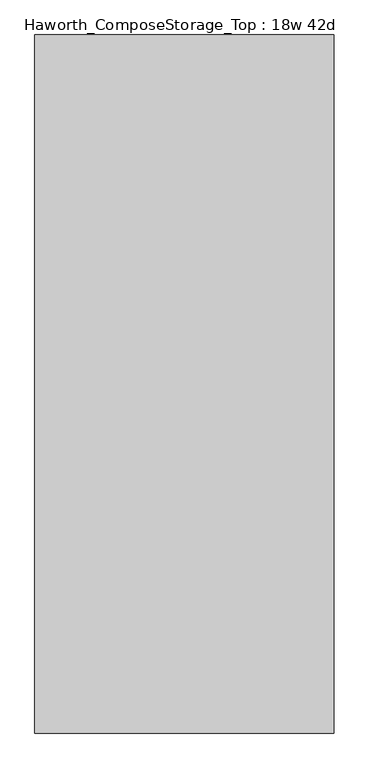
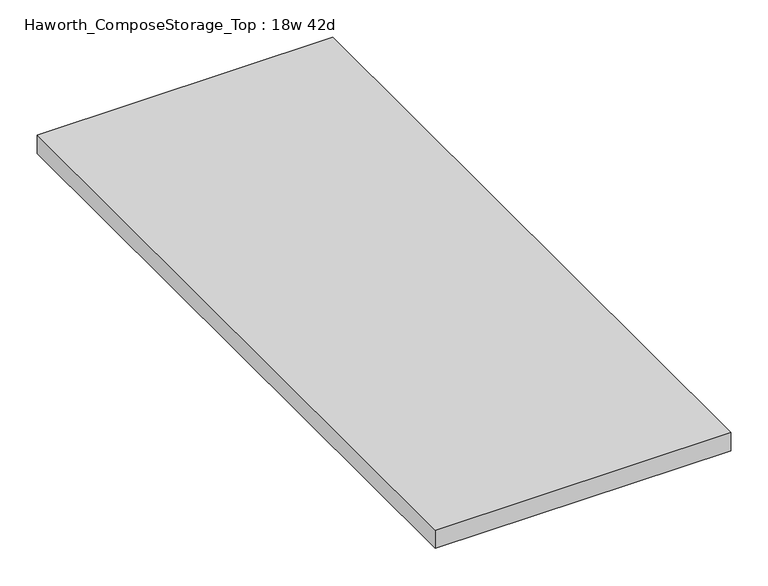
"""IFC4 building model written with IfcOpenShell, lengths in millimetres: furniture geometry, Haworth_ComposeStorage_Top : 18w 42d."""

from ifc_helpers import new_model, si_unit, frame, origin, place, context, project, spatial, polyline, outline, extrude, source, transform, mapped, element, save


def haworth_composestorage_top_18w_42d_7f535163(model_context):
    return source(origin(), model_context, "Body", "SweptSolid", [
        extrude(outline(polyline([(228.6, 533.4), (228.6, -533.4), (-228.6, -533.4), (-228.6, 533.4), (228.6, 533.4)])), frame((0.0, 0.0, 706.4375), z_axis=(0.0, 0.0, 1.0), x_axis=(1.0, 0.0, 0.0)), (0.0, 0.0, 1.0), 30.1625),
    ])


if __name__ == "__main__":
    model = new_model("IFC4")
    model_context = context("Model", 3, world=origin())
    ifc_project = project(units=[si_unit("LENGTHUNIT", "METRE", prefix="MILLI")], contexts=[model_context])
    site = spatial("IfcSite", under=ifc_project)
    building = spatial("IfcBuilding", under=site)
    placement = place(None, origin())
    haworth_composestorage_top_18w_42d_shape = haworth_composestorage_top_18w_42d_7f535163(model_context)
    element("IfcFurniture", 1, ObjectType="Haworth_ComposeStorage_Top : 18w 42d", at=placement, inside=building, context=model_context, shape_type="MappedRepresentation", body=[
        mapped(haworth_composestorage_top_18w_42d_shape, transform((0.0, 0.0, 0.0), x_axis=(1.0, 0.0, 0.0), y_axis=(0.0, 1.0, 0.0), z_axis=(0.0, 0.0, 1.0))),
    ])
    save(model, "model.ifc")
